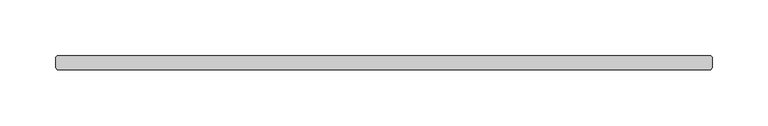
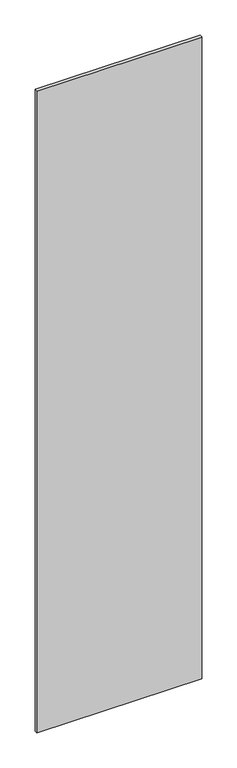
"""IFC4 building model written with IfcOpenShell, lengths in millimetres: plate geometry."""

from ifc_helpers import new_model, si_unit, origin, origin_with_axes, place, context, project, spatial, polyline, outline, extrude, source, transform, mapped, element, save


def plate_accfd373(model_context):
    return source(origin(), model_context, "Body", "SweptSolid", [
        extrude(outline(polyline([(294.084375, -36.5125), (-294.084375, -36.5125), (-295.671875, -34.925), (-295.671875, -25.4), (-294.084375, -23.8125), (294.084375, -23.8125), (295.671875, -25.4), (295.671875, -34.925), (294.084375, -36.5125)])), origin_with_axes(), (0.0, 0.0, 1.0), 2428.7789267),
    ])


if __name__ == "__main__":
    model = new_model("IFC4")
    model_context = context("Model", 3, world=origin())
    ifc_project = project(units=[si_unit("LENGTHUNIT", "METRE", prefix="MILLI")], contexts=[model_context])
    site = spatial("IfcSite", under=ifc_project)
    building = spatial("IfcBuilding", under=site)
    placement = place(None, origin())
    plate_shape = plate_accfd373(model_context)
    element("IfcPlate", 1, at=placement, inside=building, context=model_context, shape_type="MappedRepresentation", body=[
        mapped(plate_shape, transform((0.0, 0.0, 0.0), x_axis=(1.0, 0.0, 0.0), y_axis=(0.0, 1.0, 0.0), z_axis=(0.0, 0.0, 1.0))),
    ])
    save(model, "model.ifc")
